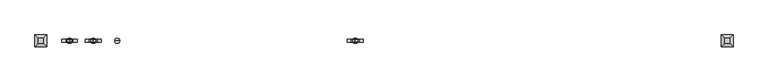
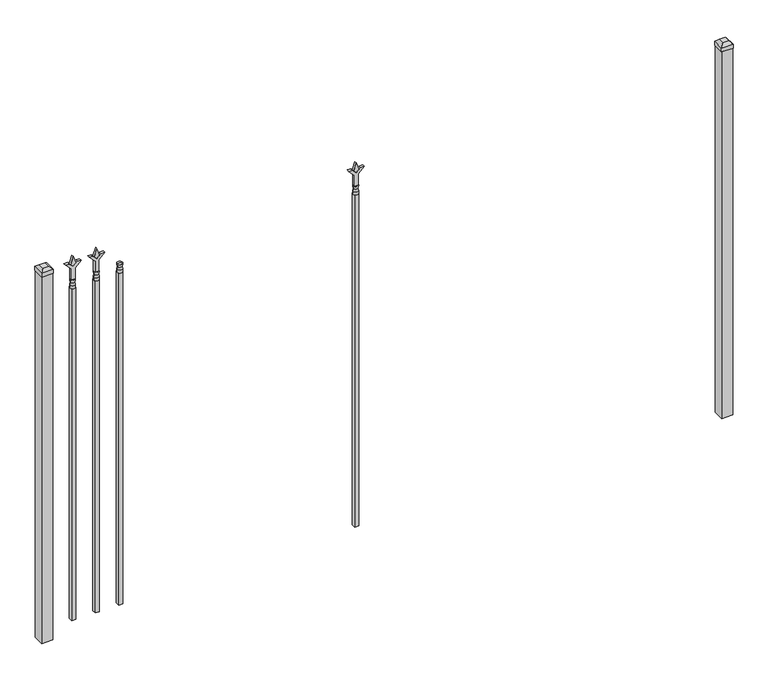
"""IFC4 building model written with IfcOpenShell, lengths in millimetres: railing geometry."""

from ifc_helpers import new_model, si_unit, frame, origin, origin_with_axes, place, context, project, spatial, polyline, circle_curve, outline, extrude, faceted_brep, source, transform, mapped, element, save
from ifc_brep_helpers import plane_surface, cylinder_surface, revolved_surface, advanced_brep


def railing_ddf34e85(model_context):
    return source(origin(), model_context, "Body", "SolidModel", [
        advanced_brep(
        [(-67079.1035036, -3073.6570174, 1689.1), (-67102.9160036, -3073.6570174, 1689.1), (-67102.9160036, -3073.6570174, 1676.4), (-67079.1035036, -3073.6570174, 1676.4), (-67081.3088355, -3073.6570174, 1701.6070585), (-67100.7106718, -3073.6570174, 1701.6070585), (-67079.1035036, -3073.6570174, 1717.675), (-67102.9160036, -3073.6570174, 1717.675), (-67091.0097536, -3073.6570174, 1717.675), (-67091.0097536, -3073.6570174, 1676.4)],
        [
            (0, 1, circle_curve(frame((-67091.0097536, -3073.6570174, 1689.1), z_axis=(0.0, 0.0, -1.0), x_axis=(-1.0, 0.0, 0.0)), 11.90625)),
            (1, 2),
            (2, 3, circle_curve(frame((-67091.0097536, -3073.6570174, 1676.4), z_axis=(0.0, 0.0, 1.0), x_axis=(-1.0, 0.0, 0.0)), 11.90625)),
            (3, 0),
            (1, 0, circle_curve(frame((-67091.0097536, -3073.6570174, 1689.1), z_axis=(0.0, 0.0, -1.0), x_axis=(-1.0, 0.0, 0.0)), 11.90625)),
            (3, 2, circle_curve(frame((-67091.0097536, -3073.6570174, 1676.4), z_axis=(0.0, 0.0, 1.0), x_axis=(-1.0, 0.0, 0.0)), 11.90625)),
            (4, 5, circle_curve(frame((-67091.0097536, -3073.6570174, 1701.6070585), z_axis=(0.0, 0.0, -1.0), x_axis=(-1.0, 0.0, 0.0)), 9.7009181)),
            (5, 1),
            (0, 4),
            (5, 4, circle_curve(frame((-67091.0097536, -3073.6570174, 1701.6070585), z_axis=(0.0, 0.0, -1.0), x_axis=(-1.0, 0.0, 0.0)), 9.7009181)),
            (6, 7, circle_curve(frame((-67091.0097536, -3073.6570174, 1717.675), z_axis=(0.0, 0.0, -1.0), x_axis=(-1.0, 0.0, 0.0)), 11.90625)),
            (7, 5),
            (4, 6),
            (7, 6, circle_curve(frame((-67091.0097536, -3073.6570174, 1717.675), z_axis=(0.0, 0.0, -1.0), x_axis=(-1.0, 0.0, 0.0)), 11.90625)),
            (8, 7),
            (6, 8),
            (2, 9),
            (9, 3),
        ],
        [
            cylinder_surface(frame((-67091.0097536, -3073.6570174, 1676.4), z_axis=(0.0, 0.0, 1.0), x_axis=(-1.0, 0.0, 0.0)), 11.90625),
            revolved_surface(polyline([(-67102.9160036, -3073.6570174, 1689.1), (-67100.7106718, -3073.6570174, 1701.6070585)]), (-67091.0097536, -3073.6570174, 1676.4), (0.0, 0.0, 1.0)),
            revolved_surface(polyline([(-67100.7106718, -3073.6570174, 1701.6070585), (-67102.9160036, -3073.6570174, 1717.675)]), (-67091.0097536, -3073.6570174, 1676.4), (0.0, 0.0, 1.0)),
            plane_surface(frame((-67091.0097536, -3073.6570174, 1717.675), z_axis=(0.0, 0.0, 1.0), x_axis=(-1.0, 0.0, 0.0))),
            plane_surface(frame((-67091.0097536, -3073.6570174, 1676.4), z_axis=(0.0, 0.0, -1.0), x_axis=(-1.0, 0.0, 0.0))),
        ],
        [
            (0, [[1, 2, 3, 4]]),
            (0, [[5, -4, 6, -2]]),
            (1, [[7, 8, -1, 9]]),
            (1, [[10, -9, -5, -8]]),
            (2, [[11, 12, -7, 13]]),
            (2, [[14, -13, -10, -12]]),
            (3, [[15, -11, 16]]),
            (3, [[-16, -14, -15]]),
            (4, [[-3, 17, 18]]),
            (4, [[-6, -18, -17]]),
        ],
    ),
        extrude(outline(polyline([(-67100.5347536, -3064.1320174), (-67081.4847536, -3064.1320174), (-67081.4847536, -3083.1820174), (-67100.5347536, -3083.1820174), (-67100.5347536, -3064.1320174)])), frame((0.0, 0.0, 50.8), z_axis=(0.0, 0.0, 1.0), x_axis=(1.0, 0.0, 0.0)), (0.0, 0.0, 1.0), 1625.6),
        extrude(outline(polyline([(1793.08125, -67188.3764203), (1828.8, -67200.2826703), (1793.08125, -67212.1889203), (1781.175, -67200.2826703), (1793.08125, -67188.3764203)])), frame((0.0, -3078.4195174, 0.0), z_axis=(0.0, 1.0, 0.0), x_axis=(0.0, 0.0, 1.0)), (0.0, 0.0, 1.0), 9.525),
        extrude(outline(polyline([(1717.675, -67191.5514203), (1771.9457378, -67191.5514203), (1799.1355122, -67164.3616458), (1799.1355122, -67182.3221581), (1781.175, -67200.2826703), (1799.1355122, -67218.2431825), (1799.1355122, -67236.2036948), (1771.9457378, -67209.0139203), (1717.675, -67209.0139203), (1717.675, -67191.5514203)])), frame((0.0, -3080.0070174, 0.0), z_axis=(0.0, 1.0, 0.0), x_axis=(0.0, 0.0, 1.0)), (0.0, 0.0, 1.0), 12.7),
        advanced_brep(
        [(-67188.3764203, -3073.6570174, 1689.1), (-67212.1889203, -3073.6570174, 1689.1), (-67212.1889203, -3073.6570174, 1676.4), (-67188.3764203, -3073.6570174, 1676.4), (-67190.5817522, -3073.6570174, 1701.6070585), (-67209.9835884, -3073.6570174, 1701.6070585), (-67188.3764203, -3073.6570174, 1717.675), (-67212.1889203, -3073.6570174, 1717.675), (-67200.2826703, -3073.6570174, 1717.675), (-67200.2826703, -3073.6570174, 1676.4)],
        [
            (0, 1, circle_curve(frame((-67200.2826703, -3073.6570174, 1689.1), z_axis=(0.0, 0.0, -1.0), x_axis=(-1.0, 0.0, 0.0)), 11.90625)),
            (1, 2),
            (2, 3, circle_curve(frame((-67200.2826703, -3073.6570174, 1676.4), z_axis=(0.0, 0.0, 1.0), x_axis=(-1.0, 0.0, 0.0)), 11.90625)),
            (3, 0),
            (1, 0, circle_curve(frame((-67200.2826703, -3073.6570174, 1689.1), z_axis=(0.0, 0.0, -1.0), x_axis=(-1.0, 0.0, 0.0)), 11.90625)),
            (3, 2, circle_curve(frame((-67200.2826703, -3073.6570174, 1676.4), z_axis=(0.0, 0.0, 1.0), x_axis=(-1.0, 0.0, 0.0)), 11.90625)),
            (4, 5, circle_curve(frame((-67200.2826703, -3073.6570174, 1701.6070585), z_axis=(0.0, 0.0, -1.0), x_axis=(-1.0, 0.0, 0.0)), 9.7009181)),
            (5, 1),
            (0, 4),
            (5, 4, circle_curve(frame((-67200.2826703, -3073.6570174, 1701.6070585), z_axis=(0.0, 0.0, -1.0), x_axis=(-1.0, 0.0, 0.0)), 9.7009181)),
            (6, 7, circle_curve(frame((-67200.2826703, -3073.6570174, 1717.675), z_axis=(0.0, 0.0, -1.0), x_axis=(-1.0, 0.0, 0.0)), 11.90625)),
            (7, 5),
            (4, 6),
            (7, 6, circle_curve(frame((-67200.2826703, -3073.6570174, 1717.675), z_axis=(0.0, 0.0, -1.0), x_axis=(-1.0, 0.0, 0.0)), 11.90625)),
            (8, 7),
            (6, 8),
            (2, 9),
            (9, 3),
        ],
        [
            cylinder_surface(frame((-67200.2826703, -3073.6570174, 1676.4), z_axis=(0.0, 0.0, 1.0), x_axis=(-1.0, 0.0, 0.0)), 11.90625),
            revolved_surface(polyline([(-67212.1889203, -3073.6570174, 1689.1), (-67209.9835884, -3073.6570174, 1701.6070585)]), (-67200.2826703, -3073.6570174, 1676.4), (0.0, 0.0, 1.0)),
            revolved_surface(polyline([(-67209.9835884, -3073.6570174, 1701.6070585), (-67212.1889203, -3073.6570174, 1717.675)]), (-67200.2826703, -3073.6570174, 1676.4), (0.0, 0.0, 1.0)),
            plane_surface(frame((-67200.2826703, -3073.6570174, 1717.675), z_axis=(0.0, 0.0, 1.0), x_axis=(-1.0, 0.0, 0.0))),
            plane_surface(frame((-67200.2826703, -3073.6570174, 1676.4), z_axis=(0.0, 0.0, -1.0), x_axis=(-1.0, 0.0, 0.0))),
        ],
        [
            (0, [[1, 2, 3, 4]]),
            (0, [[5, -4, 6, -2]]),
            (1, [[7, 8, -1, 9]]),
            (1, [[10, -9, -5, -8]]),
            (2, [[11, 12, -7, 13]]),
            (2, [[14, -13, -10, -12]]),
            (3, [[15, -11, 16]]),
            (3, [[-16, -14, -15]]),
            (4, [[-3, 17, 18]]),
            (4, [[-6, -18, -17]]),
        ],
    ),
        extrude(outline(polyline([(-67209.8076703, -3064.1320174), (-67190.7576703, -3064.1320174), (-67190.7576703, -3083.1820174), (-67209.8076703, -3083.1820174), (-67209.8076703, -3064.1320174)])), frame((0.0, 0.0, 50.8), z_axis=(0.0, 0.0, 1.0), x_axis=(1.0, 0.0, 0.0)), (0.0, 0.0, 1.0), 1625.6),
        extrude(outline(polyline([(1793.08125, -65986.374337), (1828.8, -65998.280587), (1793.08125, -66010.186837), (1781.175, -65998.280587), (1793.08125, -65986.374337)])), frame((0.0, -3078.4195174, 0.0), z_axis=(0.0, 1.0, 0.0), x_axis=(0.0, 0.0, 1.0)), (0.0, 0.0, 1.0), 9.525),
        extrude(outline(polyline([(1717.675, -65989.549337), (1771.9457378, -65989.549337), (1799.1355122, -65962.3595625), (1799.1355122, -65980.3200747), (1781.175, -65998.280587), (1799.1355122, -66016.2410992), (1799.1355122, -66034.2016114), (1771.9457378, -66007.011837), (1717.675, -66007.011837), (1717.675, -65989.549337)])), frame((0.0, -3080.0070174, 0.0), z_axis=(0.0, 1.0, 0.0), x_axis=(0.0, 0.0, 1.0)), (0.0, 0.0, 1.0), 12.7),
        advanced_brep(
        [(-65986.374337, -3073.6570174, 1689.1), (-66010.186837, -3073.6570174, 1689.1), (-66010.186837, -3073.6570174, 1676.4), (-65986.374337, -3073.6570174, 1676.4), (-65988.5796688, -3073.6570174, 1701.6070585), (-66007.9815051, -3073.6570174, 1701.6070585), (-65986.374337, -3073.6570174, 1717.675), (-66010.186837, -3073.6570174, 1717.675), (-65998.280587, -3073.6570174, 1717.675), (-65998.280587, -3073.6570174, 1676.4)],
        [
            (0, 1, circle_curve(frame((-65998.280587, -3073.6570174, 1689.1), z_axis=(0.0, 0.0, -1.0), x_axis=(-1.0, 0.0, 0.0)), 11.90625)),
            (1, 2),
            (2, 3, circle_curve(frame((-65998.280587, -3073.6570174, 1676.4), z_axis=(0.0, 0.0, 1.0), x_axis=(-1.0, 0.0, 0.0)), 11.90625)),
            (3, 0),
            (1, 0, circle_curve(frame((-65998.280587, -3073.6570174, 1689.1), z_axis=(0.0, 0.0, -1.0), x_axis=(-1.0, 0.0, 0.0)), 11.90625)),
            (3, 2, circle_curve(frame((-65998.280587, -3073.6570174, 1676.4), z_axis=(0.0, 0.0, 1.0), x_axis=(-1.0, 0.0, 0.0)), 11.90625)),
            (4, 5, circle_curve(frame((-65998.280587, -3073.6570174, 1701.6070585), z_axis=(0.0, 0.0, -1.0), x_axis=(-1.0, 0.0, 0.0)), 9.7009181)),
            (5, 1),
            (0, 4),
            (5, 4, circle_curve(frame((-65998.280587, -3073.6570174, 1701.6070585), z_axis=(0.0, 0.0, -1.0), x_axis=(-1.0, 0.0, 0.0)), 9.7009181)),
            (6, 7, circle_curve(frame((-65998.280587, -3073.6570174, 1717.675), z_axis=(0.0, 0.0, -1.0), x_axis=(-1.0, 0.0, 0.0)), 11.90625)),
            (7, 5),
            (4, 6),
            (7, 6, circle_curve(frame((-65998.280587, -3073.6570174, 1717.675), z_axis=(0.0, 0.0, -1.0), x_axis=(-1.0, 0.0, 0.0)), 11.90625)),
            (8, 7),
            (6, 8),
            (2, 9),
            (9, 3),
        ],
        [
            cylinder_surface(frame((-65998.280587, -3073.6570174, 1676.4), z_axis=(0.0, 0.0, 1.0), x_axis=(-1.0, 0.0, 0.0)), 11.90625),
            revolved_surface(polyline([(-66010.186837, -3073.6570174, 1689.1), (-66007.9815051, -3073.6570174, 1701.6070585)]), (-65998.280587, -3073.6570174, 1676.4), (0.0, 0.0, 1.0)),
            revolved_surface(polyline([(-66007.9815051, -3073.6570174, 1701.6070585), (-66010.186837, -3073.6570174, 1717.675)]), (-65998.280587, -3073.6570174, 1676.4), (0.0, 0.0, 1.0)),
            plane_surface(frame((-65998.280587, -3073.6570174, 1717.675), z_axis=(0.0, 0.0, 1.0), x_axis=(-1.0, 0.0, 0.0))),
            plane_surface(frame((-65998.280587, -3073.6570174, 1676.4), z_axis=(0.0, 0.0, -1.0), x_axis=(-1.0, 0.0, 0.0))),
        ],
        [
            (0, [[1, 2, 3, 4]]),
            (0, [[5, -4, 6, -2]]),
            (1, [[7, 8, -1, 9]]),
            (1, [[10, -9, -5, -8]]),
            (2, [[11, 12, -7, 13]]),
            (2, [[14, -13, -10, -12]]),
            (3, [[15, -11, 16]]),
            (3, [[-16, -14, -15]]),
            (4, [[-3, 17, 18]]),
            (4, [[-6, -18, -17]]),
        ],
    ),
        extrude(outline(polyline([(-66007.805587, -3064.1320174), (-65988.755587, -3064.1320174), (-65988.755587, -3083.1820174), (-66007.805587, -3083.1820174), (-66007.805587, -3064.1320174)])), frame((0.0, 0.0, 50.8), z_axis=(0.0, 0.0, 1.0), x_axis=(1.0, 0.0, 0.0)), (0.0, 0.0, 1.0), 1625.6),
        extrude(outline(polyline([(1793.08125, -67297.649337), (1828.8, -67309.555587), (1793.08125, -67321.461837), (1781.175, -67309.555587), (1793.08125, -67297.649337)])), frame((0.0, -3078.4195174, 0.0), z_axis=(0.0, 1.0, 0.0), x_axis=(0.0, 0.0, 1.0)), (0.0, 0.0, 1.0), 9.525),
        extrude(outline(polyline([(1717.675, -67300.824337), (1771.9457378, -67300.824337), (1799.1355122, -67273.6345625), (1799.1355122, -67291.5950747), (1781.175, -67309.555587), (1799.1355122, -67327.5160992), (1799.1355122, -67345.4766114), (1771.9457378, -67318.286837), (1717.675, -67318.286837), (1717.675, -67300.824337)])), frame((0.0, -3080.0070174, 0.0), z_axis=(0.0, 1.0, 0.0), x_axis=(0.0, 0.0, 1.0)), (0.0, 0.0, 1.0), 12.7),
        advanced_brep(
        [(-67297.649337, -3073.6570174, 1689.1), (-67321.461837, -3073.6570174, 1689.1), (-67321.461837, -3073.6570174, 1676.4), (-67297.649337, -3073.6570174, 1676.4), (-67299.8546688, -3073.6570174, 1701.6070585), (-67319.2565051, -3073.6570174, 1701.6070585), (-67297.649337, -3073.6570174, 1717.675), (-67321.461837, -3073.6570174, 1717.675), (-67309.555587, -3073.6570174, 1717.675), (-67309.555587, -3073.6570174, 1676.4)],
        [
            (0, 1, circle_curve(frame((-67309.555587, -3073.6570174, 1689.1), z_axis=(0.0, 0.0, -1.0), x_axis=(-1.0, 0.0, 0.0)), 11.90625)),
            (1, 2),
            (2, 3, circle_curve(frame((-67309.555587, -3073.6570174, 1676.4), z_axis=(0.0, 0.0, 1.0), x_axis=(-1.0, 0.0, 0.0)), 11.90625)),
            (3, 0),
            (1, 0, circle_curve(frame((-67309.555587, -3073.6570174, 1689.1), z_axis=(0.0, 0.0, -1.0), x_axis=(-1.0, 0.0, 0.0)), 11.90625)),
            (3, 2, circle_curve(frame((-67309.555587, -3073.6570174, 1676.4), z_axis=(0.0, 0.0, 1.0), x_axis=(-1.0, 0.0, 0.0)), 11.90625)),
            (4, 5, circle_curve(frame((-67309.555587, -3073.6570174, 1701.6070585), z_axis=(0.0, 0.0, -1.0), x_axis=(-1.0, 0.0, 0.0)), 9.7009181)),
            (5, 1),
            (0, 4),
            (5, 4, circle_curve(frame((-67309.555587, -3073.6570174, 1701.6070585), z_axis=(0.0, 0.0, -1.0), x_axis=(-1.0, 0.0, 0.0)), 9.7009181)),
            (6, 7, circle_curve(frame((-67309.555587, -3073.6570174, 1717.675), z_axis=(0.0, 0.0, -1.0), x_axis=(-1.0, 0.0, 0.0)), 11.90625)),
            (7, 5),
            (4, 6),
            (7, 6, circle_curve(frame((-67309.555587, -3073.6570174, 1717.675), z_axis=(0.0, 0.0, -1.0), x_axis=(-1.0, 0.0, 0.0)), 11.90625)),
            (8, 7),
            (6, 8),
            (2, 9),
            (9, 3),
        ],
        [
            cylinder_surface(frame((-67309.555587, -3073.6570174, 1676.4), z_axis=(0.0, 0.0, 1.0), x_axis=(-1.0, 0.0, 0.0)), 11.90625),
            revolved_surface(polyline([(-67321.461837, -3073.6570174, 1689.1), (-67319.2565051, -3073.6570174, 1701.6070585)]), (-67309.555587, -3073.6570174, 1676.4), (0.0, 0.0, 1.0)),
            revolved_surface(polyline([(-67319.2565051, -3073.6570174, 1701.6070585), (-67321.461837, -3073.6570174, 1717.675)]), (-67309.555587, -3073.6570174, 1676.4), (0.0, 0.0, 1.0)),
            plane_surface(frame((-67309.555587, -3073.6570174, 1717.675), z_axis=(0.0, 0.0, 1.0), x_axis=(-1.0, 0.0, 0.0))),
            plane_surface(frame((-67309.555587, -3073.6570174, 1676.4), z_axis=(0.0, 0.0, -1.0), x_axis=(-1.0, 0.0, 0.0))),
        ],
        [
            (0, [[1, 2, 3, 4]]),
            (0, [[5, -4, 6, -2]]),
            (1, [[7, 8, -1, 9]]),
            (1, [[10, -9, -5, -8]]),
            (2, [[11, 12, -7, 13]]),
            (2, [[14, -13, -10, -12]]),
            (3, [[15, -11, 16]]),
            (3, [[-16, -14, -15]]),
            (4, [[-3, 17, 18]]),
            (4, [[-6, -18, -17]]),
        ],
    ),
        extrude(outline(polyline([(-67319.080587, -3064.1320174), (-67300.030587, -3064.1320174), (-67300.030587, -3083.1820174), (-67319.080587, -3083.1820174), (-67319.080587, -3064.1320174)])), frame((0.0, 0.0, 50.8), z_axis=(0.0, 0.0, 1.0), x_axis=(1.0, 0.0, 0.0)), (0.0, 0.0, 1.0), 1625.6),
        extrude(outline(polyline([(-64266.318087, -3048.2570174), (-64266.318087, -3099.0570174), (-64317.118087, -3099.0570174), (-64317.118087, -3048.2570174), (-64266.318087, -3048.2570174)])), origin_with_axes(), (0.0, 0.0, 1.0), 1797.05),
        faceted_brep([(-64318.705587, -3046.6695174, 1816.1), (-64318.705587, -3046.6695174, 1797.05), (-64318.705587, -3100.6445174, 1797.05), (-64318.705587, -3100.6445174, 1816.1), (-64306.005587, -3059.3695174, 1828.8), (-64306.005587, -3087.9445174, 1828.8), (-64264.730587, -3100.6445174, 1797.05), (-64264.730587, -3100.6445174, 1816.1), (-64277.430587, -3087.9445174, 1828.8), (-64264.730587, -3046.6695174, 1797.05), (-64264.730587, -3046.6695174, 1816.1), (-64277.430587, -3059.3695174, 1828.8)], [[[0, 1, 2, 3]], [[4, 0, 3, 5]], [[3, 2, 6, 7]], [[5, 3, 7, 8]], [[7, 6, 9, 10]], [[8, 7, 10, 11]], [[10, 9, 1, 0]], [[11, 10, 0, 4]], [[5, 8, 11, 4]], [[1, 9, 6, 2]]]),
        extrude(outline(polyline([(-67415.918087, -3048.2570174), (-67415.918087, -3099.0570174), (-67466.718087, -3099.0570174), (-67466.718087, -3048.2570174), (-67415.918087, -3048.2570174)])), origin_with_axes(), (0.0, 0.0, 1.0), 1797.05),
        faceted_brep([(-67468.305587, -3046.6695174, 1816.1), (-67468.305587, -3046.6695174, 1797.05), (-67468.305587, -3100.6445174, 1797.05), (-67468.305587, -3100.6445174, 1816.1), (-67455.605587, -3059.3695174, 1828.8), (-67455.605587, -3087.9445174, 1828.8), (-67414.330587, -3100.6445174, 1797.05), (-67414.330587, -3100.6445174, 1816.1), (-67427.030587, -3087.9445174, 1828.8), (-67414.330587, -3046.6695174, 1797.05), (-67414.330587, -3046.6695174, 1816.1), (-67427.030587, -3059.3695174, 1828.8)], [[[0, 1, 2, 3]], [[4, 0, 3, 5]], [[3, 2, 6, 7]], [[5, 3, 7, 8]], [[7, 6, 9, 10]], [[8, 7, 10, 11]], [[10, 9, 1, 0]], [[11, 10, 0, 4]], [[5, 8, 11, 4]], [[1, 9, 6, 2]]]),
    ])


if __name__ == "__main__":
    model = new_model("IFC4")
    model_context = context("Model", 3, world=origin())
    ifc_project = project(units=[si_unit("LENGTHUNIT", "METRE", prefix="MILLI")], contexts=[model_context])
    site = spatial("IfcSite", under=ifc_project)
    building = spatial("IfcBuilding", under=site)
    placement = place(None, origin())
    railing_shape = railing_ddf34e85(model_context)
    element("IfcRailing", 1, at=placement, inside=building, context=model_context, shape_type="MappedRepresentation", body=[
        mapped(railing_shape, transform((0.0, 0.0, 0.0), x_axis=(1.0, 0.0, 0.0), y_axis=(0.0, 1.0, 0.0), z_axis=(0.0, 0.0, 1.0))),
    ])
    save(model, "model.ifc")
